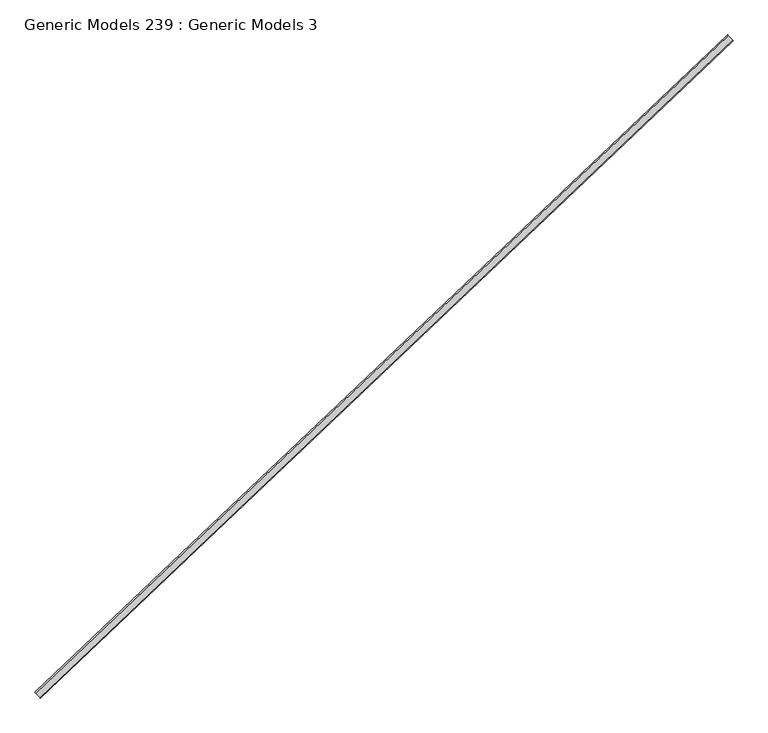
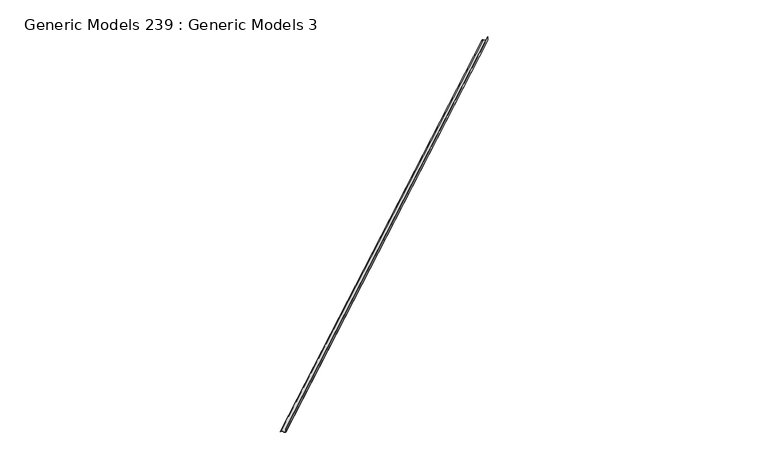
"""IFC4 building model written with IfcOpenShell, lengths in millimetres: proxy geometry, Generic Models 239 : Generic Models 3."""

from ifc_helpers import new_model, si_unit, frame, origin, place, context, project, spatial, polyline, outline, extrude, source, transform, mapped, element, save


def generic_models_239_generic_models_3_a7a852be(model_context):
    return source(origin(), model_context, "Body", "SweptSolid", [
        extrude(outline(polyline([(-11.0335729, 1e-07), (39.190064, 28.9966304), (63.9762658, -13.9343304), (62.6014504, -14.7280804), (38.6089987, 26.828065), (-10.6082036, -1.5875), (-22.0730301, -1.5875), (-22.07303, 1e-07), (-11.0335729, 1e-07)])), frame((109944.4631314, 47312.8308817, 18107.2698989), z_axis=(0.725374371012278, 0.6883545756937643, 0.0), x_axis=(0.5961325493621015, -0.6281926325508368, 0.4999999999998911)), (0.0, 0.0, 1.0), 8321.675),
    ])


if __name__ == "__main__":
    model = new_model("IFC4")
    model_context = context("Model", 3, world=origin())
    ifc_project = project(units=[si_unit("LENGTHUNIT", "METRE", prefix="MILLI")], contexts=[model_context])
    site = spatial("IfcSite", under=ifc_project)
    building = spatial("IfcBuilding", under=site)
    placement = place(None, origin())
    generic_models_239_generic_models_3_shape = generic_models_239_generic_models_3_a7a852be(model_context)
    element("IfcBuildingElementProxy", 1, Name="Generic Models 239 : Generic Models 3", ObjectType="Generic Models 239 : Generic Models 3", at=placement, inside=building, context=model_context, shape_type="MappedRepresentation", body=[
        mapped(generic_models_239_generic_models_3_shape, transform((0.0, 0.0, 0.0), x_axis=(1.0, 0.0, 0.0), y_axis=(0.0, 1.0, 0.0), z_axis=(0.0, 0.0, 1.0))),
    ])
    save(model, "model.ifc")
